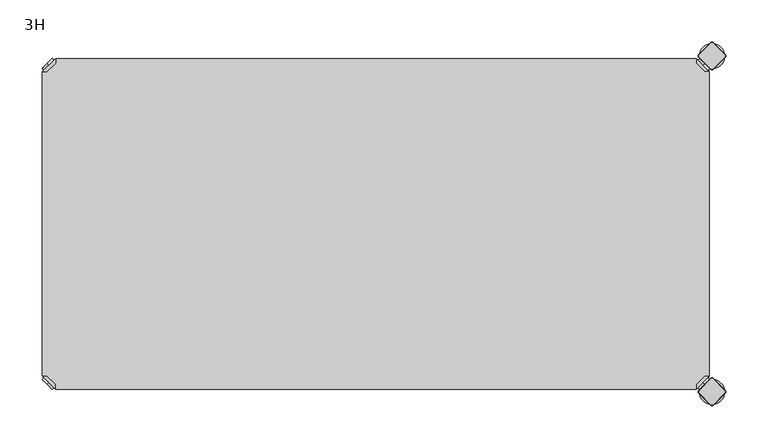
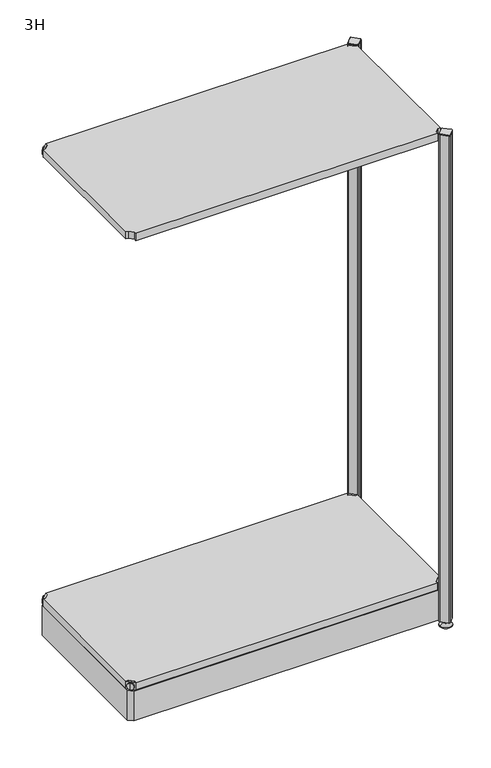
"""IFC4 building model written with IfcOpenShell, lengths in millimetres: furniture geometry, 3H."""

from ifc_helpers import new_model, si_unit, point, frame, frame_2d, origin, place, context, project, spatial, polyline, circle_curve, trimmed, segment, composite_curve, outline, extrude, source, transform, mapped, element, save
from ifc_brep_helpers import plane_surface, cylinder_surface, revolved_surface, advanced_brep


def furniture_3h_cd44ddf5(model_context):
    return source(origin(), model_context, "Body", "SolidModel", [
        advanced_brep(
        [(10.9601551, -10.9601551, 1298.5), (10.9601551, -10.9601551, 1315.5), (10.9601551, -10.9601551, 1307.0), (8.8388348, -8.8388348, 1298.5), (8.8388348, -8.8388348, 1315.5), (8.8388348, -8.8388348, 1307.0)],
        [
            (0, 1, circle_curve(frame((10.9601551, -10.9601551, 1307.0), z_axis=(0.7071067811865464, -0.7071067811865487, 0.0), x_axis=(0.0, 0.0, 1.0)), 8.5)),
            (1, 2),
            (2, 0),
            (1, 0, circle_curve(frame((10.9601551, -10.9601551, 1307.0), z_axis=(0.7071067811865464, -0.7071067811865487, 0.0), x_axis=(0.0, 0.0, 1.0)), 8.5)),
            (3, 4, circle_curve(frame((8.8388348, -8.8388348, 1307.0), z_axis=(0.7071067811865464, -0.7071067811865487, 0.0), x_axis=(0.0, 0.0, 1.0)), 8.5)),
            (4, 1),
            (0, 3),
            (4, 3, circle_curve(frame((8.8388348, -8.8388348, 1307.0), z_axis=(0.7071067811865464, -0.7071067811865487, 0.0), x_axis=(0.0, 0.0, 1.0)), 8.5)),
            (5, 4),
            (3, 5),
        ],
        [
            plane_surface(frame((10.9601551, -10.9601551, 1307.0), z_axis=(0.707106781186546, -0.7071067811865491, 0.0), x_axis=(0.0, 0.0, 1.0))),
            cylinder_surface(frame((8.8388348, -8.8388348, 1307.0), z_axis=(-0.7071067811865464, 0.7071067811865487, 0.0), x_axis=(0.0, 0.0, 1.0)), 8.5),
            plane_surface(frame((8.8388348, -8.8388348, 1307.0), z_axis=(-0.707106781186546, 0.7071067811865491, 0.0), x_axis=(0.0, 0.0, 1.0))),
        ],
        [
            (0, [[1, 2, 3]]),
            (0, [[4, -3, -2]]),
            (1, [[5, 6, -1, 7]]),
            (1, [[8, -7, -4, -6]]),
            (2, [[9, -5, 10]]),
            (2, [[-10, -8, -9]]),
        ],
    ),
        advanced_brep(
        [(18.9203102, -3.0, 1317.0), (3.0, -18.9203102, 1317.0), (8.6568542, -18.9203102, 1317.0), (18.9203102, -8.6568542, 1317.0), (18.9203102, -3.0, 1298.0), (18.9203102, -3.0, 1297.0), (3.0, -18.9203102, 1297.0), (3.0, -18.9203102, 1298.0), (8.6568542, -18.9203102, 1298.0), (18.9203102, -8.6568542, 1298.0), (31.8093975, -47.7297077, 1298.0), (47.7297077, -31.8093975, 1298.0), (47.7297077, -31.8093975, 1297.0), (31.8093975, -47.7297077, 1297.0)],
        [
            (0, 1),
            (1, 2),
            (2, 3),
            (3, 0),
            (0, 4),
            (4, 5),
            (5, 6),
            (6, 7),
            (7, 1),
            (2, 8),
            (8, 9),
            (9, 3),
            (9, 4),
            (7, 8),
            (7, 10),
            (10, 11, circle_curve(frame((39.7695526, -39.7695526, 1298.0), z_axis=(0.0, 0.0, 1.0), x_axis=(1.0, 0.0, 0.0)), 11.2573593)),
            (11, 4),
            (5, 12),
            (12, 13, circle_curve(frame((39.7695526, -39.7695526, 1297.0), z_axis=(0.0, 0.0, -1.0), x_axis=(1.0, 0.0, 0.0)), 11.2573593)),
            (13, 6),
            (13, 10),
            (12, 11),
        ],
        [
            plane_surface(frame((-38.8756299, -60.7959401, 1317.0), z_axis=(0.0, 0.0, 1.0000000000000002), x_axis=(-0.7071067811865557, -0.7071067811865395, 0.0))),
            plane_surface(frame((18.9203102, -3.0, 1317.0), z_axis=(-0.7071067811865395, 0.7071067811865557, 0.0), x_axis=(0.0, 0.0, -1.0))),
            plane_surface(frame((8.6568542, -18.9203102, 1317.0), z_axis=(0.7071067811865481, -0.7071067811865469, 0.0), x_axis=(0.0, 0.0, -1.0))),
            plane_surface(frame((18.9203102, -8.6568542, 1317.0), z_axis=(1.0, 0.0, 0.0), x_axis=(0.0, 0.0, -1.0))),
            plane_surface(frame((3.0, -18.9203102, 1317.0), z_axis=(0.0, -1.0, 0.0), x_axis=(0.0, 0.0, -1.0))),
            plane_surface(frame((3.0, -18.9203102, 1298.0), z_axis=(0.0, 0.0, 1.0), x_axis=(-0.7071067811865485, -0.7071067811865466, 0.0))),
            plane_surface(frame((3.0, -18.9203102, 1297.0), z_axis=(0.0, 0.0, -1.0), x_axis=(0.7071067811865485, 0.7071067811865466, 0.0))),
            plane_surface(frame((3.0, -18.9203102, 1298.0), z_axis=(-0.7071067811865491, -0.707106781186546, 0.0), x_axis=(0.0, 0.0, -1.0))),
            cylinder_surface(frame((39.7695526, -39.7695526, 1297.0), z_axis=(0.0, 0.0, 1.0), x_axis=(1.0, 0.0, 0.0)), 11.2573593),
            plane_surface(frame((47.7297077, -31.8093975, 1298.0), z_axis=(0.707106781186548, 0.7071067811865471, 0.0), x_axis=(0.0, 0.0, -1.0))),
        ],
        [
            (0, [[1, 2, 3, 4]]),
            (1, [[-1, 5, 6, 7, 8, 9]]),
            (2, [[-3, 10, 11, 12]]),
            (3, [[-4, -12, 13, -5]]),
            (4, [[-2, -9, 14, -10]]),
            (5, [[15, 16, 17, -13, -11, -14]]),
            (6, [[18, 19, 20, -7]]),
            (7, [[-15, -8, -20, 21]]),
            (8, [[-16, -21, -19, 22]]),
            (9, [[-17, -22, -18, -6]]),
        ],
    ),
        extrude(outline(polyline([(781.0796898, -3.0), (781.0796898, -8.6568542), (791.3431458, -18.9203102), (797.0, -18.9203102), (797.0, -381.0796898), (791.3431458, -381.0796898), (781.0796898, -391.3431458), (781.0796898, -397.0), (18.9203102, -397.0), (18.9203102, -391.3431458), (8.6568542, -381.0796898), (3.0, -381.0796898), (3.0, -18.9203102), (8.6568542, -18.9203102), (18.9203102, -8.6568542), (18.9203102, -3.0), (781.0796898, -3.0)])), frame((0.0, 0.0, 1298.0), z_axis=(0.0, 0.0, 1.0), x_axis=(1.0, 0.0, 0.0)), (0.0, 0.0, 1.0), 19.0),
        advanced_brep(
        [(789.0398449, -10.9601551, 98.5), (789.0398449, -10.9601551, 107.0), (789.0398449, -10.9601551, 115.5), (791.1611652, -8.8388348, 98.5), (791.1611652, -8.8388348, 115.5), (791.1611652, -8.8388348, 107.0)],
        [
            (0, 1),
            (1, 2),
            (2, 0, circle_curve(frame((789.0398449, -10.9601551, 107.0), z_axis=(-0.7071067811865556, -0.7071067811865395, 0.0), x_axis=(0.0, 0.0, 1.0)), 8.5)),
            (0, 2, circle_curve(frame((789.0398449, -10.9601551, 107.0), z_axis=(-0.7071067811865556, -0.7071067811865395, 0.0), x_axis=(0.0, 0.0, 1.0)), 8.5)),
            (3, 0),
            (2, 4),
            (4, 3, circle_curve(frame((791.1611652, -8.8388348, 107.0), z_axis=(-0.7071067811865556, -0.7071067811865395, 0.0), x_axis=(0.0, 0.0, 1.0)), 8.5)),
            (3, 4, circle_curve(frame((791.1611652, -8.8388348, 107.0), z_axis=(-0.7071067811865556, -0.7071067811865395, 0.0), x_axis=(0.0, 0.0, 1.0)), 8.5)),
            (5, 3),
            (4, 5),
        ],
        [
            plane_surface(frame((789.0398449, -10.9601551, 107.0), z_axis=(-0.7071067811865552, -0.7071067811865399, 0.0), x_axis=(0.0, 0.0, 1.0))),
            cylinder_surface(frame((791.1611652, -8.8388348, 107.0), z_axis=(0.7071067811865556, 0.7071067811865395, 0.0), x_axis=(0.0, 0.0, 1.0)), 8.5),
            plane_surface(frame((791.1611652, -8.8388348, 107.0), z_axis=(0.7071067811865552, 0.7071067811865399, 0.0), x_axis=(0.0, 0.0, 1.0))),
        ],
        [
            (0, [[1, 2, 3]]),
            (0, [[-2, -1, 4]]),
            (1, [[5, -3, 6, 7]]),
            (1, [[-6, -4, -5, 8]]),
            (2, [[9, -7, 10]]),
            (2, [[-10, -8, -9]]),
        ],
    ),
        advanced_brep(
        [(781.0796898, -3.0, 117.0), (781.0796898, -8.6568542, 117.0), (791.3431458, -18.9203102, 117.0), (797.0, -18.9203102, 117.0), (797.0, -18.9203102, 98.0), (797.0, -18.9203102, 97.0), (781.0796898, -3.0, 97.0), (781.0796898, -3.0, 98.0), (781.0796898, -8.6568542, 98.0), (791.3431458, -18.9203102, 98.0), (752.2702923, -31.8093975, 98.0), (768.1906025, -47.7297077, 98.0), (768.1906025, -47.7297077, 97.0), (752.2702923, -31.8093975, 97.0)],
        [
            (0, 1),
            (1, 2),
            (2, 3),
            (3, 0),
            (3, 4),
            (4, 5),
            (5, 6),
            (6, 7),
            (7, 0),
            (1, 8),
            (8, 9),
            (9, 2),
            (7, 8),
            (9, 4),
            (7, 10),
            (10, 11, circle_curve(frame((760.2304474, -39.7695526, 98.0), z_axis=(0.0, 0.0, 1.0), x_axis=(-1.0, 0.0, 0.0)), 11.2573593)),
            (11, 4),
            (5, 12),
            (12, 13, circle_curve(frame((760.2304474, -39.7695526, 97.0), z_axis=(0.0, 0.0, -1.0), x_axis=(-1.0, 0.0, 0.0)), 11.2573593)),
            (13, 6),
            (11, 12),
            (10, 13),
        ],
        [
            plane_surface(frame((838.8756299, -60.7959401, 117.0), z_axis=(0.0, 0.0, 1.0000000000000002), x_axis=(0.7071067811865465, -0.7071067811865487, 0.0))),
            plane_surface(frame((781.0796898, -3.0, 117.0), z_axis=(0.7071067811865487, 0.7071067811865465, 0.0), x_axis=(0.0, 0.0, -1.0))),
            plane_surface(frame((791.3431458, -18.9203102, 117.0), z_axis=(-0.7071067811865573, -0.7071067811865377, 0.0), x_axis=(0.0, 0.0, -1.0))),
            plane_surface(frame((781.0796898, -8.6568542, 117.0), z_axis=(-1.0, 0.0, 0.0), x_axis=(0.0, 0.0, -1.0))),
            plane_surface(frame((797.0, -18.9203102, 117.0), z_axis=(0.0, -1.0, 0.0), x_axis=(0.0, 0.0, -1.0))),
            plane_surface(frame((797.0, -18.9203102, 98.0), z_axis=(0.0, 0.0, 1.0), x_axis=(0.7071067811865392, -0.7071067811865558, 0.0))),
            plane_surface(frame((797.0, -18.9203102, 97.0), z_axis=(0.0, 0.0, -1.0), x_axis=(-0.7071067811865392, 0.7071067811865558, 0.0))),
            plane_surface(frame((797.0, -18.9203102, 98.0), z_axis=(0.7071067811865399, -0.7071067811865552, 0.0), x_axis=(0.0, 0.0, -1.0))),
            cylinder_surface(frame((760.2304474, -39.7695526, 97.0), z_axis=(0.0, 0.0, 1.0), x_axis=(-1.0, 0.0, 0.0)), 11.2573593),
            plane_surface(frame((752.2702923, -31.8093975, 98.0), z_axis=(-0.7071067811865388, 0.7071067811865563, 0.0), x_axis=(0.0, 0.0, -1.0))),
        ],
        [
            (0, [[1, 2, 3, 4]]),
            (1, [[5, 6, 7, 8, 9, -4]]),
            (2, [[10, 11, 12, -2]]),
            (3, [[-9, 13, -10, -1]]),
            (4, [[-12, 14, -5, -3]]),
            (5, [[-14, -11, -13, 15, 16, 17]]),
            (6, [[-7, 18, 19, 20]]),
            (7, [[21, -18, -6, -17]]),
            (8, [[22, -19, -21, -16]]),
            (9, [[-8, -20, -22, -15]]),
        ],
    ),
        advanced_brep(
        [(789.0398449, -389.0398449, 98.5), (789.0398449, -389.0398449, 115.5), (789.0398449, -389.0398449, 107.0), (791.1611652, -391.1611652, 98.5), (791.1611652, -391.1611652, 115.5), (791.1611652, -391.1611652, 107.0)],
        [
            (0, 1, circle_curve(frame((789.0398449, -389.0398449, 107.0), z_axis=(-0.7071067811865509, 0.7071067811865441, 0.0), x_axis=(0.0, 0.0, 1.0)), 8.5)),
            (1, 2),
            (2, 0),
            (1, 0, circle_curve(frame((789.0398449, -389.0398449, 107.0), z_axis=(-0.7071067811865509, 0.7071067811865441, 0.0), x_axis=(0.0, 0.0, 1.0)), 8.5)),
            (3, 4, circle_curve(frame((791.1611652, -391.1611652, 107.0), z_axis=(-0.7071067811865509, 0.7071067811865441, 0.0), x_axis=(0.0, 0.0, 1.0)), 8.5)),
            (4, 1),
            (0, 3),
            (4, 3, circle_curve(frame((791.1611652, -391.1611652, 107.0), z_axis=(-0.7071067811865509, 0.7071067811865441, 0.0), x_axis=(0.0, 0.0, 1.0)), 8.5)),
            (5, 4),
            (3, 5),
        ],
        [
            plane_surface(frame((789.0398449, -389.0398449, 107.0), z_axis=(-0.7071067811865506, 0.7071067811865446, 0.0), x_axis=(0.0, 0.0, 1.0))),
            cylinder_surface(frame((791.1611652, -391.1611652, 107.0), z_axis=(0.7071067811865509, -0.7071067811865441, 0.0), x_axis=(0.0, 0.0, 1.0)), 8.5),
            plane_surface(frame((791.1611652, -391.1611652, 107.0), z_axis=(0.7071067811865506, -0.7071067811865446, 0.0), x_axis=(0.0, 0.0, 1.0))),
        ],
        [
            (0, [[1, 2, 3]]),
            (0, [[4, -3, -2]]),
            (1, [[5, 6, -1, 7]]),
            (1, [[8, -7, -4, -6]]),
            (2, [[9, -5, 10]]),
            (2, [[-10, -8, -9]]),
        ],
    ),
        advanced_brep(
        [(781.0796898, -397.0, 117.0), (797.0, -381.0796898, 117.0), (791.3431458, -381.0796898, 117.0), (781.0796898, -391.3431458, 117.0), (781.0796898, -397.0, 98.0), (781.0796898, -397.0, 97.0), (797.0, -381.0796898, 97.0), (797.0, -381.0796898, 98.0), (791.3431458, -381.0796898, 98.0), (781.0796898, -391.3431458, 98.0), (768.1906025, -352.2702923, 98.0), (752.2702923, -368.1906025, 98.0), (752.2702923, -368.1906025, 97.0), (768.1906025, -352.2702923, 97.0)],
        [
            (0, 1),
            (1, 2),
            (2, 3),
            (3, 0),
            (0, 4),
            (4, 5),
            (5, 6),
            (6, 7),
            (7, 1),
            (2, 8),
            (8, 9),
            (9, 3),
            (9, 4),
            (7, 8),
            (7, 10),
            (10, 11, circle_curve(frame((760.2304474, -360.2304474, 98.0), z_axis=(0.0, 0.0, 1.0), x_axis=(-1.0, 0.0, 0.0)), 11.2573593)),
            (11, 4),
            (5, 12),
            (12, 13, circle_curve(frame((760.2304474, -360.2304474, 97.0), z_axis=(0.0, 0.0, -1.0), x_axis=(-1.0, 0.0, 0.0)), 11.2573593)),
            (13, 6),
            (13, 10),
            (12, 11),
        ],
        [
            plane_surface(frame((838.8756299, -339.2040599, 117.0), z_axis=(0.0, 0.0, 1.0000000000000002), x_axis=(0.7071067811865511, 0.707106781186544, 0.0))),
            plane_surface(frame((781.0796898, -397.0, 117.0), z_axis=(0.707106781186544, -0.7071067811865511, 0.0), x_axis=(0.0, 0.0, -1.0))),
            plane_surface(frame((791.3431458, -381.0796898, 117.0), z_axis=(-0.7071067811865527, 0.7071067811865424, 0.0), x_axis=(0.0, 0.0, -1.0))),
            plane_surface(frame((781.0796898, -391.3431458, 117.0), z_axis=(-1.0, 0.0, 0.0), x_axis=(0.0, 0.0, -1.0))),
            plane_surface(frame((797.0, -381.0796898, 117.0), z_axis=(0.0, 1.0, 0.0), x_axis=(0.0, 0.0, -1.0))),
            plane_surface(frame((797.0, -381.0796898, 98.0), z_axis=(0.0, 0.0, 1.0), x_axis=(0.7071067811865439, 0.7071067811865511, 0.0))),
            plane_surface(frame((797.0, -381.0796898, 97.0), z_axis=(0.0, 0.0, -1.0), x_axis=(-0.7071067811865439, -0.7071067811865511, 0.0))),
            plane_surface(frame((797.0, -381.0796898, 98.0), z_axis=(0.7071067811865446, 0.7071067811865506, 0.0), x_axis=(0.0, 0.0, -1.0))),
            cylinder_surface(frame((760.2304474, -360.2304474, 97.0), z_axis=(0.0, 0.0, 1.0), x_axis=(-1.0, 0.0, 0.0)), 11.2573593),
            plane_surface(frame((752.2702923, -368.1906025, 98.0), z_axis=(-0.7071067811865435, -0.7071067811865517, 0.0), x_axis=(0.0, 0.0, -1.0))),
        ],
        [
            (0, [[1, 2, 3, 4]]),
            (1, [[-1, 5, 6, 7, 8, 9]]),
            (2, [[-3, 10, 11, 12]]),
            (3, [[-4, -12, 13, -5]]),
            (4, [[-2, -9, 14, -10]]),
            (5, [[15, 16, 17, -13, -11, -14]]),
            (6, [[18, 19, 20, -7]]),
            (7, [[-15, -8, -20, 21]]),
            (8, [[-16, -21, -19, 22]]),
            (9, [[-17, -22, -18, -6]]),
        ],
    ),
        advanced_brep(
        [(10.9601551, -389.0398449, 98.5), (10.9601551, -389.0398449, 107.0), (10.9601551, -389.0398449, 115.5), (8.8388348, -391.1611652, 98.5), (8.8388348, -391.1611652, 115.5), (8.8388348, -391.1611652, 107.0)],
        [
            (0, 1),
            (1, 2),
            (2, 0, circle_curve(frame((10.9601551, -389.0398449, 107.0), z_axis=(0.7071067811865509, 0.7071067811865441, 0.0), x_axis=(0.0, 0.0, 1.0)), 8.5)),
            (0, 2, circle_curve(frame((10.9601551, -389.0398449, 107.0), z_axis=(0.7071067811865509, 0.7071067811865441, 0.0), x_axis=(0.0, 0.0, 1.0)), 8.5)),
            (3, 0),
            (2, 4),
            (4, 3, circle_curve(frame((8.8388348, -391.1611652, 107.0), z_axis=(0.7071067811865509, 0.7071067811865441, 0.0), x_axis=(0.0, 0.0, 1.0)), 8.5)),
            (3, 4, circle_curve(frame((8.8388348, -391.1611652, 107.0), z_axis=(0.7071067811865509, 0.7071067811865441, 0.0), x_axis=(0.0, 0.0, 1.0)), 8.5)),
            (5, 3),
            (4, 5),
        ],
        [
            plane_surface(frame((10.9601551, -389.0398449, 107.0), z_axis=(0.7071067811865506, 0.7071067811865446, 0.0), x_axis=(0.0, 0.0, 1.0))),
            cylinder_surface(frame((8.8388348, -391.1611652, 107.0), z_axis=(-0.7071067811865509, -0.7071067811865441, 0.0), x_axis=(0.0, 0.0, 1.0)), 8.5),
            plane_surface(frame((8.8388348, -391.1611652, 107.0), z_axis=(-0.7071067811865506, -0.7071067811865446, 0.0), x_axis=(0.0, 0.0, 1.0))),
        ],
        [
            (0, [[1, 2, 3]]),
            (0, [[-2, -1, 4]]),
            (1, [[5, -3, 6, 7]]),
            (1, [[-6, -4, -5, 8]]),
            (2, [[9, -7, 10]]),
            (2, [[-10, -8, -9]]),
        ],
    ),
        advanced_brep(
        [(18.9203102, -397.0, 117.0), (18.9203102, -391.3431458, 117.0), (8.6568542, -381.0796898, 117.0), (3.0, -381.0796898, 117.0), (3.0, -381.0796898, 98.0), (3.0, -381.0796898, 97.0), (18.9203102, -397.0, 97.0), (18.9203102, -397.0, 98.0), (18.9203102, -391.3431458, 98.0), (8.6568542, -381.0796898, 98.0), (47.7297077, -368.1906025, 98.0), (31.8093975, -352.2702923, 98.0), (31.8093975, -352.2702923, 97.0), (47.7297077, -368.1906025, 97.0)],
        [
            (0, 1),
            (1, 2),
            (2, 3),
            (3, 0),
            (3, 4),
            (4, 5),
            (5, 6),
            (6, 7),
            (7, 0),
            (1, 8),
            (8, 9),
            (9, 2),
            (7, 8),
            (9, 4),
            (7, 10),
            (10, 11, circle_curve(frame((39.7695526, -360.2304474, 98.0), z_axis=(0.0, 0.0, 1.0), x_axis=(1.0, 0.0, 0.0)), 11.2573593)),
            (11, 4),
            (5, 12),
            (12, 13, circle_curve(frame((39.7695526, -360.2304474, 97.0), z_axis=(0.0, 0.0, -1.0), x_axis=(1.0, 0.0, 0.0)), 11.2573593)),
            (13, 6),
            (11, 12),
            (10, 13),
        ],
        [
            plane_surface(frame((-38.8756299, -339.2040599, 117.0), z_axis=(0.0, 0.0, 1.0000000000000002), x_axis=(-0.7071067811865511, 0.707106781186544, 0.0))),
            plane_surface(frame((18.9203102, -397.0, 117.0), z_axis=(-0.707106781186544, -0.7071067811865511, 0.0), x_axis=(0.0, 0.0, -1.0))),
            plane_surface(frame((8.6568542, -381.0796898, 117.0), z_axis=(0.7071067811865527, 0.7071067811865424, 0.0), x_axis=(0.0, 0.0, -1.0))),
            plane_surface(frame((18.9203102, -391.3431458, 117.0), z_axis=(1.0, 0.0, 0.0), x_axis=(0.0, 0.0, -1.0))),
            plane_surface(frame((3.0, -381.0796898, 117.0), z_axis=(0.0, 1.0, 0.0), x_axis=(0.0, 0.0, -1.0))),
            plane_surface(frame((3.0, -381.0796898, 98.0), z_axis=(0.0, 0.0, 1.0), x_axis=(-0.7071067811865439, 0.7071067811865511, 0.0))),
            plane_surface(frame((3.0, -381.0796898, 97.0), z_axis=(0.0, 0.0, -1.0), x_axis=(0.7071067811865439, -0.7071067811865511, 0.0))),
            plane_surface(frame((3.0, -381.0796898, 98.0), z_axis=(-0.7071067811865446, 0.7071067811865506, 0.0), x_axis=(0.0, 0.0, -1.0))),
            cylinder_surface(frame((39.7695526, -360.2304474, 97.0), z_axis=(0.0, 0.0, 1.0), x_axis=(1.0, 0.0, 0.0)), 11.2573593),
            plane_surface(frame((47.7297077, -368.1906025, 98.0), z_axis=(0.7071067811865435, -0.7071067811865517, 0.0), x_axis=(0.0, 0.0, -1.0))),
        ],
        [
            (0, [[1, 2, 3, 4]]),
            (1, [[5, 6, 7, 8, 9, -4]]),
            (2, [[10, 11, 12, -2]]),
            (3, [[-9, 13, -10, -1]]),
            (4, [[-12, 14, -5, -3]]),
            (5, [[-14, -11, -13, 15, 16, 17]]),
            (6, [[-7, 18, 19, 20]]),
            (7, [[21, -18, -6, -17]]),
            (8, [[22, -19, -21, -16]]),
            (9, [[-8, -20, -22, -15]]),
        ],
    ),
        advanced_brep(
        [(10.9601551, -10.9601551, 98.5), (10.9601551, -10.9601551, 115.5), (10.9601551, -10.9601551, 107.0), (8.8388348, -8.8388348, 98.5), (8.8388348, -8.8388348, 115.5), (8.8388348, -8.8388348, 107.0)],
        [
            (0, 1, circle_curve(frame((10.9601551, -10.9601551, 107.0), z_axis=(0.7071067811865464, -0.7071067811865487, 0.0), x_axis=(0.0, 0.0, 1.0)), 8.5)),
            (1, 2),
            (2, 0),
            (1, 0, circle_curve(frame((10.9601551, -10.9601551, 107.0), z_axis=(0.7071067811865464, -0.7071067811865487, 0.0), x_axis=(0.0, 0.0, 1.0)), 8.5)),
            (3, 4, circle_curve(frame((8.8388348, -8.8388348, 107.0), z_axis=(0.7071067811865464, -0.7071067811865487, 0.0), x_axis=(0.0, 0.0, 1.0)), 8.5)),
            (4, 1),
            (0, 3),
            (4, 3, circle_curve(frame((8.8388348, -8.8388348, 107.0), z_axis=(0.7071067811865464, -0.7071067811865487, 0.0), x_axis=(0.0, 0.0, 1.0)), 8.5)),
            (5, 4),
            (3, 5),
        ],
        [
            plane_surface(frame((10.9601551, -10.9601551, 107.0), z_axis=(0.707106781186546, -0.7071067811865491, 0.0), x_axis=(0.0, 0.0, 1.0))),
            cylinder_surface(frame((8.8388348, -8.8388348, 107.0), z_axis=(-0.7071067811865464, 0.7071067811865487, 0.0), x_axis=(0.0, 0.0, 1.0)), 8.5),
            plane_surface(frame((8.8388348, -8.8388348, 107.0), z_axis=(-0.707106781186546, 0.7071067811865491, 0.0), x_axis=(0.0, 0.0, 1.0))),
        ],
        [
            (0, [[1, 2, 3]]),
            (0, [[4, -3, -2]]),
            (1, [[5, 6, -1, 7]]),
            (1, [[8, -7, -4, -6]]),
            (2, [[9, -5, 10]]),
            (2, [[-10, -8, -9]]),
        ],
    ),
        advanced_brep(
        [(18.9203102, -3.0, 117.0), (3.0, -18.9203102, 117.0), (8.6568542, -18.9203102, 117.0), (18.9203102, -8.6568542, 117.0), (18.9203102, -3.0, 98.0), (18.9203102, -3.0, 97.0), (3.0, -18.9203102, 97.0), (3.0, -18.9203102, 98.0), (8.6568542, -18.9203102, 98.0), (18.9203102, -8.6568542, 98.0), (31.8093975, -47.7297077, 98.0), (47.7297077, -31.8093975, 98.0), (47.7297077, -31.8093975, 97.0), (31.8093975, -47.7297077, 97.0)],
        [
            (0, 1),
            (1, 2),
            (2, 3),
            (3, 0),
            (0, 4),
            (4, 5),
            (5, 6),
            (6, 7),
            (7, 1),
            (2, 8),
            (8, 9),
            (9, 3),
            (9, 4),
            (7, 8),
            (7, 10),
            (10, 11, circle_curve(frame((39.7695526, -39.7695526, 98.0), z_axis=(0.0, 0.0, 1.0), x_axis=(1.0, 0.0, 0.0)), 11.2573593)),
            (11, 4),
            (5, 12),
            (12, 13, circle_curve(frame((39.7695526, -39.7695526, 97.0), z_axis=(0.0, 0.0, -1.0), x_axis=(1.0, 0.0, 0.0)), 11.2573593)),
            (13, 6),
            (13, 10),
            (12, 11),
        ],
        [
            plane_surface(frame((-38.8756299, -60.7959401, 117.0), z_axis=(0.0, 0.0, 1.0000000000000002), x_axis=(-0.7071067811865557, -0.7071067811865395, 0.0))),
            plane_surface(frame((18.9203102, -3.0, 117.0), z_axis=(-0.7071067811865395, 0.7071067811865557, 0.0), x_axis=(0.0, 0.0, -1.0))),
            plane_surface(frame((8.6568542, -18.9203102, 117.0), z_axis=(0.7071067811865481, -0.7071067811865469, 0.0), x_axis=(0.0, 0.0, -1.0))),
            plane_surface(frame((18.9203102, -8.6568542, 117.0), z_axis=(1.0, 0.0, 0.0), x_axis=(0.0, 0.0, -1.0))),
            plane_surface(frame((3.0, -18.9203102, 117.0), z_axis=(0.0, -1.0, 0.0), x_axis=(0.0, 0.0, -1.0))),
            plane_surface(frame((3.0, -18.9203102, 98.0), z_axis=(0.0, 0.0, 1.0), x_axis=(-0.7071067811865485, -0.7071067811865466, 0.0))),
            plane_surface(frame((3.0, -18.9203102, 97.0), z_axis=(0.0, 0.0, -1.0), x_axis=(0.7071067811865485, 0.7071067811865466, 0.0))),
            plane_surface(frame((3.0, -18.9203102, 98.0), z_axis=(-0.7071067811865491, -0.707106781186546, 0.0), x_axis=(0.0, 0.0, -1.0))),
            cylinder_surface(frame((39.7695526, -39.7695526, 97.0), z_axis=(0.0, 0.0, 1.0), x_axis=(1.0, 0.0, 0.0)), 11.2573593),
            plane_surface(frame((47.7297077, -31.8093975, 98.0), z_axis=(0.707106781186548, 0.7071067811865471, 0.0), x_axis=(0.0, 0.0, -1.0))),
        ],
        [
            (0, [[1, 2, 3, 4]]),
            (1, [[-1, 5, 6, 7, 8, 9]]),
            (2, [[-3, 10, 11, 12]]),
            (3, [[-4, -12, 13, -5]]),
            (4, [[-2, -9, 14, -10]]),
            (5, [[15, 16, 17, -13, -11, -14]]),
            (6, [[18, 19, 20, -7]]),
            (7, [[-15, -8, -20, 21]]),
            (8, [[-16, -21, -19, 22]]),
            (9, [[-17, -22, -18, -6]]),
        ],
    ),
        extrude(outline(polyline([(781.0796898, -3.0), (781.0796898, -8.6568542), (791.3431458, -18.9203102), (797.0, -18.9203102), (797.0, -381.0796898), (791.3431458, -381.0796898), (781.0796898, -391.3431458), (781.0796898, -397.0), (18.9203102, -397.0), (18.9203102, -391.3431458), (8.6568542, -381.0796898), (3.0, -381.0796898), (3.0, -18.9203102), (8.6568542, -18.9203102), (18.9203102, -8.6568542), (18.9203102, -3.0), (781.0796898, -3.0)])), frame((0.0, 0.0, 98.0), z_axis=(0.0, 0.0, 1.0), x_axis=(1.0, 0.0, 0.0)), (0.0, 0.0, 1.0), 19.0),
        advanced_brep(
        [(785.0, -400.0, 0.0), (815.0, -400.0, 0.0), (800.0, -400.0, 0.0), (785.0, -400.0, 2.0), (815.0, -400.0, 2.0), (792.0, -400.0, 9.0), (808.0, -400.0, 9.0), (796.0, -400.0, 9.0), (804.0, -400.0, 9.0), (796.0, -400.0, 15.0), (804.0, -400.0, 15.0), (800.0, -400.0, 15.0)],
        [
            (0, 1, circle_curve(frame((800.0, -400.0, 0.0), z_axis=(0.0, 0.0, -1.0), x_axis=(1.0, 0.0, 0.0)), 15.0)),
            (1, 2),
            (2, 0),
            (1, 0, circle_curve(frame((800.0, -400.0, 0.0), z_axis=(0.0, 0.0, -1.0), x_axis=(1.0, 0.0, 0.0)), 15.0)),
            (3, 4, circle_curve(frame((800.0, -400.0, 2.0), z_axis=(0.0, 0.0, -1.0), x_axis=(1.0, 0.0, 0.0)), 15.0)),
            (4, 1),
            (0, 3),
            (4, 3, circle_curve(frame((800.0, -400.0, 2.0), z_axis=(0.0, 0.0, -1.0), x_axis=(1.0, 0.0, 0.0)), 15.0)),
            (5, 6, circle_curve(frame((800.0, -400.0, 9.0), z_axis=(0.0, 0.0, -1.0), x_axis=(1.0, 0.0, 0.0)), 8.0)),
            (6, 4),
            (3, 5),
            (6, 5, circle_curve(frame((800.0, -400.0, 9.0), z_axis=(0.0, 0.0, -1.0), x_axis=(1.0, 0.0, 0.0)), 8.0)),
            (7, 8, circle_curve(frame((800.0, -400.0, 9.0), z_axis=(0.0, 0.0, -1.0), x_axis=(1.0, 0.0, 0.0)), 4.0)),
            (8, 6),
            (5, 7),
            (8, 7, circle_curve(frame((800.0, -400.0, 9.0), z_axis=(0.0, 0.0, -1.0), x_axis=(1.0, 0.0, 0.0)), 4.0)),
            (9, 10, circle_curve(frame((800.0, -400.0, 15.0), z_axis=(0.0, 0.0, -1.0), x_axis=(1.0, 0.0, 0.0)), 4.0)),
            (10, 8),
            (7, 9),
            (10, 9, circle_curve(frame((800.0, -400.0, 15.0), z_axis=(0.0, 0.0, -1.0), x_axis=(1.0, 0.0, 0.0)), 4.0)),
            (11, 10),
            (9, 11),
        ],
        [
            plane_surface(frame((800.0, -400.0, 0.0), z_axis=(0.0, 0.0, -1.0), x_axis=(1.0, 0.0, 0.0))),
            cylinder_surface(frame((800.0, -400.0, 18.6083303), z_axis=(0.0, 0.0, 1.0), x_axis=(1.0, 0.0, 0.0)), 15.0),
            revolved_surface(polyline([(815.0, -400.0, 2.0), (808.0, -400.0, 9.0)]), (800.0, -400.0, 18.6083303), (0.0, 0.0, 1.0)),
            plane_surface(frame((800.0, -400.0, 9.0), z_axis=(0.0, 0.0, 1.0), x_axis=(1.0, 0.0, 0.0))),
            cylinder_surface(frame((800.0, -400.0, 18.6083303), z_axis=(0.0, 0.0, 1.0), x_axis=(1.0, 0.0, 0.0)), 4.0),
            plane_surface(frame((800.0, -400.0, 15.0), z_axis=(0.0, 0.0, 1.0), x_axis=(1.0, 0.0, 0.0))),
        ],
        [
            (0, [[1, 2, 3]]),
            (0, [[4, -3, -2]]),
            (1, [[5, 6, -1, 7]]),
            (1, [[8, -7, -4, -6]]),
            (2, [[9, 10, -5, 11]]),
            (2, [[12, -11, -8, -10]]),
            (3, [[13, 14, -9, 15]]),
            (3, [[16, -15, -12, -14]]),
            (4, [[17, 18, -13, 19]]),
            (4, [[20, -19, -16, -18]]),
            (5, [[21, -17, 22]]),
            (5, [[-22, -20, -21]]),
        ],
    ),
        advanced_brep(
        [(798.7979185, -384.6557828, 1317.0), (784.6557828, -398.7979185, 1317.0), (784.6557828, -401.2020815, 1317.0), (798.7979185, -415.3442172, 1317.0), (801.2020815, -415.3442172, 1317.0), (815.3442172, -401.2020815, 1317.0), (815.3442172, -398.7979185, 1317.0), (801.2020815, -384.6557828, 1317.0), (798.232233, -384.0900974, 1315.0), (801.767767, -384.0900974, 1315.0), (815.9099026, -398.232233, 1315.0), (815.9099026, -401.767767, 1315.0), (801.767767, -415.9099026, 1315.0), (798.232233, -415.9099026, 1315.0), (784.0900974, -401.767767, 1315.0), (784.0900974, -398.232233, 1315.0)],
        [
            (0, 1),
            (1, 2, circle_curve(frame((785.8578644, -400.0, 1317.0), z_axis=(0.0, 0.0, 1.0), x_axis=(-0.7071067811865537, 0.7071067811865414, 0.0)), 1.7)),
            (2, 3),
            (3, 4, circle_curve(frame((800.0, -414.1421356, 1317.0), z_axis=(0.0, 0.0, 1.0), x_axis=(-0.7071067811865491, -0.707106781186546, 0.0)), 1.7)),
            (4, 5),
            (5, 6, circle_curve(frame((814.1421356, -400.0, 1317.0), z_axis=(0.0, 0.0, 1.0), x_axis=(0.707106781186539, -0.7071067811865559, 0.0)), 1.7)),
            (6, 7),
            (7, 0, circle_curve(frame((800.0, -385.8578644, 1317.0), z_axis=(0.0, 0.0, 1.0), x_axis=(0.7071067811865458, 0.7071067811865492, 0.0)), 1.7)),
            (8, 9, circle_curve(frame((800.0, -385.8578644, 1315.0), z_axis=(0.0, 0.0, -1.0), x_axis=(0.7071067811865458, 0.7071067811865492, 0.0)), 2.5)),
            (9, 10),
            (10, 11, circle_curve(frame((814.1421356, -400.0, 1315.0), z_axis=(0.0, 0.0, -1.0), x_axis=(0.707106781186539, -0.7071067811865559, 0.0)), 2.5)),
            (11, 12),
            (12, 13, circle_curve(frame((800.0, -414.1421356, 1315.0), z_axis=(0.0, 0.0, -1.0), x_axis=(-0.7071067811865491, -0.707106781186546, 0.0)), 2.5)),
            (13, 14),
            (14, 15, circle_curve(frame((785.8578644, -400.0, 1315.0), z_axis=(0.0, 0.0, -1.0), x_axis=(-0.7071067811865537, 0.7071067811865414, 0.0)), 2.5)),
            (15, 8),
            (15, 1),
            (0, 8),
            (14, 2),
            (13, 3),
            (12, 4),
            (11, 5),
            (10, 6),
            (9, 7),
        ],
        [
            plane_surface(frame((800.0, -400.0, 1317.0), z_axis=(0.0, 0.0, 1.0), x_axis=(-0.7071067811865486, 0.7071067811865466, 0.0))),
            plane_surface(frame((800.0, -400.0, 1315.0), z_axis=(0.0, 0.0, -1.0), x_axis=(-0.7071067811865486, 0.7071067811865466, 0.0))),
            plane_surface(frame((791.1611652, -391.1611652, 1315.0), z_axis=(-0.6565321642986406, 0.656532164298628, 0.3713906763540281), x_axis=(-0.7071067811865408, -0.7071067811865543, 0.0))),
            revolved_surface(polyline([(784.65578284, -398.79791844, 1317.0), (784.0900974, -398.232233, 1315.0)]), (785.8578644, -400.0, 1321.25), (0.0, 0.0, -1.0)),
            plane_surface(frame((791.1611652, -408.8388348, 1315.0), z_axis=(-0.6565321642986325, -0.6565321642986414, 0.3713906763540188), x_axis=(0.7071067811865523, -0.7071067811865428, 0.0))),
            revolved_surface(polyline([(798.79791844, -415.34421716, 1317.0), (798.232233, -415.9099026, 1315.0)]), (800.0, -414.1421356, 1321.25), (0.0, 0.0, -1.0)),
            plane_surface(frame((808.8388348, -408.8388348, 1315.0), z_axis=(0.6565321642986457, -0.6565321642986508, 0.3713906763539787), x_axis=(0.7071067811865541, 0.707106781186541, 0.0))),
            revolved_surface(polyline([(815.34421716, -401.20208156, 1317.0), (815.9099026, -401.767767, 1315.0)]), (814.1421356, -400.0, 1321.25), (0.0, 0.0, -1.0)),
            plane_surface(frame((808.8388348, -391.1611652, 1315.0), z_axis=(0.656532164298657, 0.6565321642986371, 0.37139067635398293), x_axis=(-0.7071067811865407, 0.7071067811865545, 0.0))),
            revolved_surface(polyline([(801.20208156, -384.65578284, 1317.0), (801.767767, -384.0900974, 1315.0)]), (800.0, -385.8578644, 1321.25), (0.0, 0.0, -1.0)),
        ],
        [
            (0, [[1, 2, 3, 4, 5, 6, 7, 8]]),
            (1, [[9, 10, 11, 12, 13, 14, 15, 16]]),
            (2, [[-16, 17, -1, 18]]),
            (3, [[-15, 19, -2, -17]]),
            (4, [[-14, 20, -3, -19]]),
            (5, [[-13, 21, -4, -20]]),
            (6, [[-12, 22, -5, -21]]),
            (7, [[-11, 23, -6, -22]]),
            (8, [[-10, 24, -7, -23]]),
            (9, [[-9, -18, -8, -24]]),
        ],
    ),
        extrude(outline(composite_curve([segment(trimmed(circle_curve(frame_2d((814.1421356, -400.0)), 2.5), [point((815.9099026, -398.232233))], [point((815.9099026, -401.767767))], False, "CARTESIAN"), True, "CONTINUOUS"), segment(polyline([(815.9099026, -401.767767), (801.767767, -415.9099026)]), True, "CONTINUOUS"), segment(trimmed(circle_curve(frame_2d((800.0, -414.1421356)), 2.5), [point((801.767767, -415.9099026))], [point((798.232233, -415.9099026))], False, "CARTESIAN"), True, "CONTINUOUS"), segment(polyline([(798.232233, -415.9099026), (784.0900974, -401.767767)]), True, "CONTINUOUS"), segment(trimmed(circle_curve(frame_2d((785.8578644, -400.0)), 2.5), [point((784.0900974, -401.767767))], [point((784.0900974, -398.232233))], False, "CARTESIAN"), True, "CONTINUOUS"), segment(polyline([(784.0900974, -398.232233), (798.232233, -384.0900974)]), True, "CONTINUOUS"), segment(trimmed(circle_curve(frame_2d((800.0, -385.8578644)), 2.5), [point((798.232233, -384.0900974))], [point((801.767767, -384.0900974))], False, "CARTESIAN"), True, "CONTINUOUS"), segment(polyline([(801.767767, -384.0900974), (815.9099026, -398.232233)]), True, "CONTINUOUS")], self_intersect=False)), frame((0.0, 0.0, 15.0), z_axis=(0.0, 0.0, 1.0), x_axis=(1.0, 0.0, 0.0)), (0.0, 0.0, 1.0), 1300.0),
        advanced_brep(
        [(785.0, 0.0, 0.0), (815.0, 0.0, 0.0), (800.0, 0.0, 0.0), (785.0, 0.0, 2.0), (815.0, 0.0, 2.0), (792.0, 0.0, 9.0), (808.0, 0.0, 9.0), (796.0, 0.0, 9.0), (804.0, 0.0, 9.0), (796.0, 0.0, 15.0), (804.0, 0.0, 15.0), (800.0, 0.0, 15.0)],
        [
            (0, 1, circle_curve(frame((800.0, 0.0, 0.0), z_axis=(0.0, 0.0, -1.0), x_axis=(1.0, 0.0, 0.0)), 15.0)),
            (1, 2),
            (2, 0),
            (1, 0, circle_curve(frame((800.0, 0.0, 0.0), z_axis=(0.0, 0.0, -1.0), x_axis=(1.0, 0.0, 0.0)), 15.0)),
            (3, 4, circle_curve(frame((800.0, 0.0, 2.0), z_axis=(0.0, 0.0, -1.0), x_axis=(1.0, 0.0, 0.0)), 15.0)),
            (4, 1),
            (0, 3),
            (4, 3, circle_curve(frame((800.0, 0.0, 2.0), z_axis=(0.0, 0.0, -1.0), x_axis=(1.0, 0.0, 0.0)), 15.0)),
            (5, 6, circle_curve(frame((800.0, 0.0, 9.0), z_axis=(0.0, 0.0, -1.0), x_axis=(1.0, 0.0, 0.0)), 8.0)),
            (6, 4),
            (3, 5),
            (6, 5, circle_curve(frame((800.0, 0.0, 9.0), z_axis=(0.0, 0.0, -1.0), x_axis=(1.0, 0.0, 0.0)), 8.0)),
            (7, 8, circle_curve(frame((800.0, 0.0, 9.0), z_axis=(0.0, 0.0, -1.0), x_axis=(1.0, 0.0, 0.0)), 4.0)),
            (8, 6),
            (5, 7),
            (8, 7, circle_curve(frame((800.0, 0.0, 9.0), z_axis=(0.0, 0.0, -1.0), x_axis=(1.0, 0.0, 0.0)), 4.0)),
            (9, 10, circle_curve(frame((800.0, 0.0, 15.0), z_axis=(0.0, 0.0, -1.0), x_axis=(1.0, 0.0, 0.0)), 4.0)),
            (10, 8),
            (7, 9),
            (10, 9, circle_curve(frame((800.0, 0.0, 15.0), z_axis=(0.0, 0.0, -1.0), x_axis=(1.0, 0.0, 0.0)), 4.0)),
            (11, 10),
            (9, 11),
        ],
        [
            plane_surface(frame((800.0, 0.0, 0.0), z_axis=(0.0, 0.0, -1.0), x_axis=(1.0, 0.0, 0.0))),
            cylinder_surface(frame((800.0, 0.0, 18.6083303), z_axis=(0.0, 0.0, 1.0), x_axis=(1.0, 0.0, 0.0)), 15.0),
            revolved_surface(polyline([(815.0, 0.0, 2.0), (808.0, 0.0, 9.0)]), (800.0, 0.0, 18.6083303), (0.0, 0.0, 1.0)),
            plane_surface(frame((800.0, 0.0, 9.0), z_axis=(0.0, 0.0, 1.0), x_axis=(1.0, 0.0, 0.0))),
            cylinder_surface(frame((800.0, 0.0, 18.6083303), z_axis=(0.0, 0.0, 1.0), x_axis=(1.0, 0.0, 0.0)), 4.0),
            plane_surface(frame((800.0, 0.0, 15.0), z_axis=(0.0, 0.0, 1.0), x_axis=(1.0, 0.0, 0.0))),
        ],
        [
            (0, [[1, 2, 3]]),
            (0, [[4, -3, -2]]),
            (1, [[5, 6, -1, 7]]),
            (1, [[8, -7, -4, -6]]),
            (2, [[9, 10, -5, 11]]),
            (2, [[12, -11, -8, -10]]),
            (3, [[13, 14, -9, 15]]),
            (3, [[16, -15, -12, -14]]),
            (4, [[17, 18, -13, 19]]),
            (4, [[20, -19, -16, -18]]),
            (5, [[21, -17, 22]]),
            (5, [[-22, -20, -21]]),
        ],
    ),
        advanced_brep(
        [(798.7979185, 15.3442172, 1317.0), (784.6557828, 1.2020815, 1317.0), (784.6557828, -1.2020815, 1317.0), (798.7979185, -15.3442172, 1317.0), (801.2020815, -15.3442172, 1317.0), (815.3442172, -1.2020815, 1317.0), (815.3442172, 1.2020815, 1317.0), (801.2020815, 15.3442172, 1317.0), (798.232233, 15.9099026, 1315.0), (801.767767, 15.9099026, 1315.0), (815.9099026, 1.767767, 1315.0), (815.9099026, -1.767767, 1315.0), (801.767767, -15.9099026, 1315.0), (798.232233, -15.9099026, 1315.0), (784.0900974, -1.767767, 1315.0), (784.0900974, 1.767767, 1315.0)],
        [
            (0, 1),
            (1, 2, circle_curve(frame((785.8578644, 0.0, 1317.0), z_axis=(0.0, 0.0, 1.0), x_axis=(-0.7071067811865537, 0.7071067811865414, 0.0)), 1.7)),
            (2, 3),
            (3, 4, circle_curve(frame((800.0, -14.1421356, 1317.0), z_axis=(0.0, 0.0, 1.0), x_axis=(-0.7071067811865491, -0.707106781186546, 0.0)), 1.7)),
            (4, 5),
            (5, 6, circle_curve(frame((814.1421356, 0.0, 1317.0), z_axis=(0.0, 0.0, 1.0), x_axis=(0.707106781186539, -0.7071067811865559, 0.0)), 1.7)),
            (6, 7),
            (7, 0, circle_curve(frame((800.0, 14.1421356, 1317.0), z_axis=(0.0, 0.0, 1.0), x_axis=(0.7071067811865458, 0.7071067811865492, 0.0)), 1.7)),
            (8, 9, circle_curve(frame((800.0, 14.1421356, 1315.0), z_axis=(0.0, 0.0, -1.0), x_axis=(0.7071067811865458, 0.7071067811865492, 0.0)), 2.5)),
            (9, 10),
            (10, 11, circle_curve(frame((814.1421356, 0.0, 1315.0), z_axis=(0.0, 0.0, -1.0), x_axis=(0.707106781186539, -0.7071067811865559, 0.0)), 2.5)),
            (11, 12),
            (12, 13, circle_curve(frame((800.0, -14.1421356, 1315.0), z_axis=(0.0, 0.0, -1.0), x_axis=(-0.7071067811865491, -0.707106781186546, 0.0)), 2.5)),
            (13, 14),
            (14, 15, circle_curve(frame((785.8578644, 0.0, 1315.0), z_axis=(0.0, 0.0, -1.0), x_axis=(-0.7071067811865537, 0.7071067811865414, 0.0)), 2.5)),
            (15, 8),
            (15, 1),
            (0, 8),
            (14, 2),
            (13, 3),
            (12, 4),
            (11, 5),
            (10, 6),
            (9, 7),
        ],
        [
            plane_surface(frame((800.0, 0.0, 1317.0), z_axis=(0.0, 0.0, 1.0), x_axis=(-0.7071067811865486, 0.7071067811865466, 0.0))),
            plane_surface(frame((800.0, 0.0, 1315.0), z_axis=(0.0, 0.0, -1.0), x_axis=(-0.7071067811865486, 0.7071067811865466, 0.0))),
            plane_surface(frame((791.1611652, 8.8388348, 1315.0), z_axis=(-0.6565321642986406, 0.656532164298628, 0.3713906763540281), x_axis=(-0.7071067811865408, -0.7071067811865543, 0.0))),
            revolved_surface(polyline([(784.65578284, 1.20208156, 1317.0), (784.0900974, 1.767767, 1315.0)]), (785.8578644, 0.0, 1321.25), (0.0, 0.0, -1.0)),
            plane_surface(frame((791.1611652, -8.8388348, 1315.0), z_axis=(-0.6565321642986325, -0.6565321642986414, 0.3713906763540188), x_axis=(0.7071067811865523, -0.7071067811865428, 0.0))),
            revolved_surface(polyline([(798.79791844, -15.34421716, 1317.0), (798.232233, -15.9099026, 1315.0)]), (800.0, -14.1421356, 1321.25), (0.0, 0.0, -1.0)),
            plane_surface(frame((808.8388348, -8.8388348, 1315.0), z_axis=(0.6565321642986457, -0.6565321642986508, 0.3713906763539787), x_axis=(0.7071067811865541, 0.707106781186541, 0.0))),
            revolved_surface(polyline([(815.34421716, -1.20208156, 1317.0), (815.9099026, -1.767767, 1315.0)]), (814.1421356, 0.0, 1321.25), (0.0, 0.0, -1.0)),
            plane_surface(frame((808.8388348, 8.8388348, 1315.0), z_axis=(0.656532164298657, 0.6565321642986371, 0.37139067635398293), x_axis=(-0.7071067811865407, 0.7071067811865545, 0.0))),
            revolved_surface(polyline([(801.20208156, 15.34421716, 1317.0), (801.767767, 15.9099026, 1315.0)]), (800.0, 14.1421356, 1321.25), (0.0, 0.0, -1.0)),
        ],
        [
            (0, [[1, 2, 3, 4, 5, 6, 7, 8]]),
            (1, [[9, 10, 11, 12, 13, 14, 15, 16]]),
            (2, [[-16, 17, -1, 18]]),
            (3, [[-15, 19, -2, -17]]),
            (4, [[-14, 20, -3, -19]]),
            (5, [[-13, 21, -4, -20]]),
            (6, [[-12, 22, -5, -21]]),
            (7, [[-11, 23, -6, -22]]),
            (8, [[-10, 24, -7, -23]]),
            (9, [[-9, -18, -8, -24]]),
        ],
    ),
        extrude(outline(composite_curve([segment(trimmed(circle_curve(frame_2d((814.1421356, 0.0)), 2.5), [point((815.9099026, 1.767767))], [point((815.9099026, -1.767767))], False, "CARTESIAN"), True, "CONTINUOUS"), segment(polyline([(815.9099026, -1.767767), (801.767767, -15.9099026)]), True, "CONTINUOUS"), segment(trimmed(circle_curve(frame_2d((800.0, -14.1421356)), 2.5), [point((801.767767, -15.9099026))], [point((798.232233, -15.9099026))], False, "CARTESIAN"), True, "CONTINUOUS"), segment(polyline([(798.232233, -15.9099026), (784.0900974, -1.767767)]), True, "CONTINUOUS"), segment(trimmed(circle_curve(frame_2d((785.8578644, 0.0)), 2.5), [point((784.0900974, -1.767767))], [point((784.0900974, 1.767767))], False, "CARTESIAN"), True, "CONTINUOUS"), segment(polyline([(784.0900974, 1.767767), (798.232233, 15.9099026)]), True, "CONTINUOUS"), segment(trimmed(circle_curve(frame_2d((800.0, 14.1421356)), 2.5), [point((798.232233, 15.9099026))], [point((801.767767, 15.9099026))], False, "CARTESIAN"), True, "CONTINUOUS"), segment(polyline([(801.767767, 15.9099026), (815.9099026, 1.767767)]), True, "CONTINUOUS")], self_intersect=False)), frame((0.0, 0.0, 15.0), z_axis=(0.0, 0.0, 1.0), x_axis=(1.0, 0.0, 0.0)), (0.0, 0.0, 1.0), 1300.0),
        extrude(outline(polyline([(4.0, -13.6776695), (13.6776695, -4.0), (786.3223305, -4.0), (796.0, -13.6776695), (796.0, -386.3223305), (786.3223305, -396.0), (13.6776695, -396.0), (4.0, -386.3223305), (4.0, -13.6776695)])), frame((0.0, 0.0, 16.0), z_axis=(0.0, 0.0, 1.0), x_axis=(1.0, 0.0, 0.0)), (0.0, 0.0, 1.0), 80.0),
    ])


if __name__ == "__main__":
    model = new_model("IFC4")
    model_context = context("Model", 3, world=origin())
    ifc_project = project(units=[si_unit("LENGTHUNIT", "METRE", prefix="MILLI")], contexts=[model_context])
    site = spatial("IfcSite", under=ifc_project)
    building = spatial("IfcBuilding", under=site)
    placement = place(None, origin())
    furniture_3h_shape = furniture_3h_cd44ddf5(model_context)
    element("IfcFurniture", 1, ObjectType="3H", at=placement, inside=building, context=model_context, shape_type="MappedRepresentation", body=[
        mapped(furniture_3h_shape, transform((0.0, 0.0, 0.0), x_axis=(1.0, 0.0, 0.0), y_axis=(0.0, 1.0, 0.0), z_axis=(0.0, 0.0, 1.0))),
    ])
    save(model, "model.ifc")
